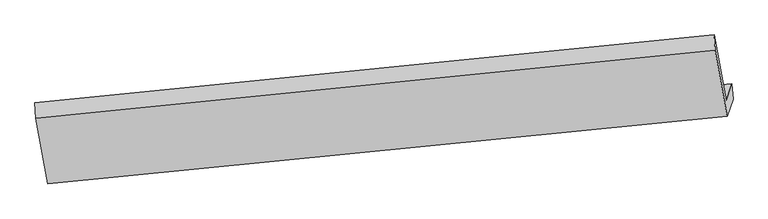
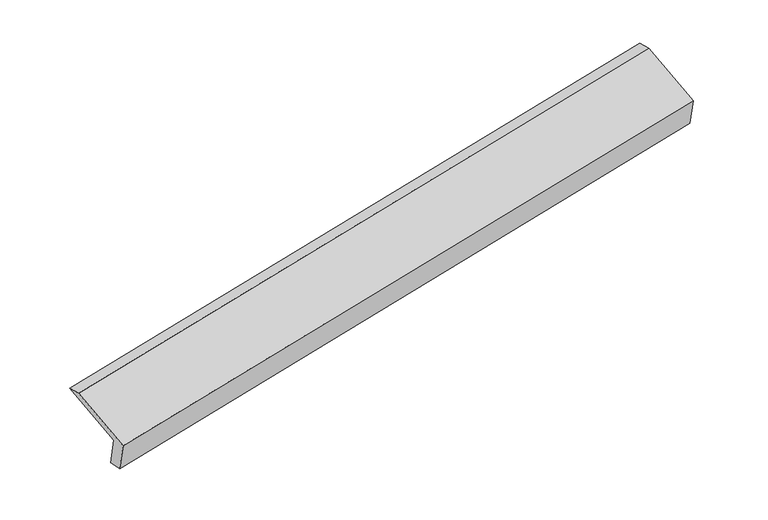
"""IFC4 building model written with IfcOpenShell, lengths in millimetres: proxy geometry."""

from ifc_helpers import new_model, si_unit, origin, place, context, project, spatial, faceted_brep, source, transform, mapped, element, save


def generic_models_e3cfb794(model_context):
    return source(origin(), model_context, "Body", "Brep", [
        faceted_brep([(-6003.5786006, -2002.7058161, 1343.8442155), (-6114.4806287, -1393.9706423, 1590.7366402), (198.3379349, -764.9829711, 2808.1195868), (309.239963, -1373.7181448, 2561.227162), (-5949.1758739, -1846.252924, 982.5329853), (362.9583283, -1219.2333587, 2204.461062), (-5937.8868273, -1988.7886922, 999.9289382), (374.2473749, -1361.7691269, 2221.8570149), (-5993.7166867, -2149.3457727, 1370.7183526), (319.1018769, -1520.3581014, 2588.1012992), (-6105.0482934, -1538.2526657, 1618.5671142), (207.7702703, -909.2649944, 2835.9500607)], [[[0, 1, 2, 3]], [[4, 0, 3, 5]], [[6, 4, 5, 7]], [[8, 6, 7, 9]], [[10, 8, 9, 11]], [[1, 10, 11, 2]], [[9, 7, 5, 3, 2, 11]], [[1, 0, 4, 6, 8, 10]]]),
    ])


if __name__ == "__main__":
    model = new_model("IFC4")
    model_context = context("Model", 3, world=origin())
    ifc_project = project(units=[si_unit("LENGTHUNIT", "METRE", prefix="MILLI")], contexts=[model_context])
    site = spatial("IfcSite", under=ifc_project)
    building = spatial("IfcBuilding", under=site)
    placement = place(None, origin())
    generic_models_shape = generic_models_e3cfb794(model_context)
    element("IfcBuildingElementProxy", 1, Name="Generic Models", at=placement, inside=building, context=model_context, shape_type="MappedRepresentation", body=[
        mapped(generic_models_shape, transform((0.0, 0.0, 0.0), x_axis=(1.0, 0.0, 0.0), y_axis=(0.0, 1.0, 0.0), z_axis=(0.0, 0.0, 1.0))),
    ])
    save(model, "model.ifc")
